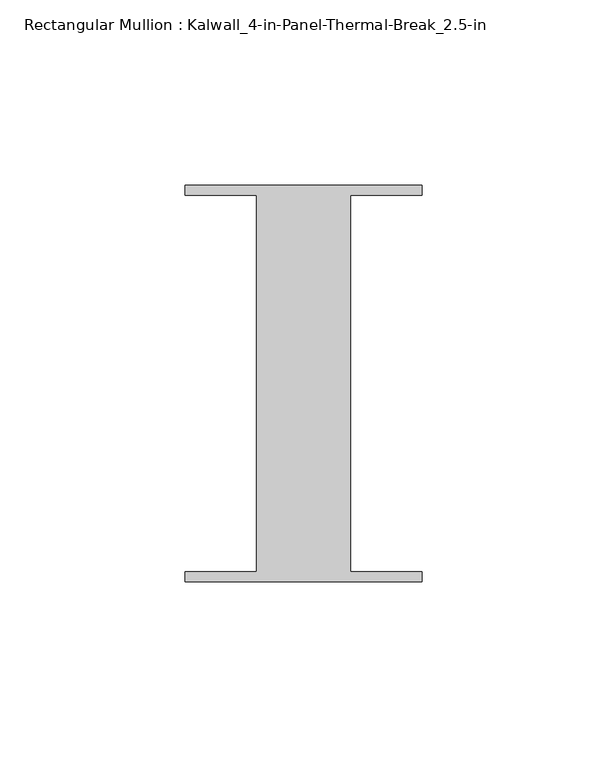
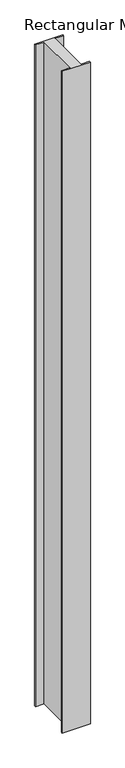
"""IFC4 building model written with IfcOpenShell, lengths in millimetres: member geometry, Rectangular Mullion : Kalwall_4-in-Panel-Thermal-Break_2.5-in."""

from ifc_helpers import new_model, si_unit, frame, origin, place, context, project, spatial, polyline, outline, extrude, source, transform, mapped, element, save


def rectangular_mullion_kalwall_4_in_panel_thermal_break_2_5_in_91f58d9c(model_context):
    return source(origin(), model_context, "Body", "SweptSolid", [
        extrude(outline(polyline([(-32.0, 53.594), (32.0, 53.594), (32.0, 50.8), (12.7, 50.8), (12.7, -50.8), (32.0, -50.8), (32.0, -53.594), (-32.0, -53.594), (-32.0, -50.8), (-12.7, -50.8), (-12.7, 50.8), (-32.0, 50.8), (-32.0, 53.594)])), frame((0.0, 0.0, -1581.4), z_axis=(0.0, 0.0, 1.0), x_axis=(1.0, 0.0, 0.0)), (0.0, 0.0, 1.0), 1581.4),
    ])


if __name__ == "__main__":
    model = new_model("IFC4")
    model_context = context("Model", 3, world=origin())
    ifc_project = project(units=[si_unit("LENGTHUNIT", "METRE", prefix="MILLI")], contexts=[model_context])
    site = spatial("IfcSite", under=ifc_project)
    building = spatial("IfcBuilding", under=site)
    placement = place(None, origin())
    rectangular_mullion_kalwall_4_in_panel_thermal_break_2_5_in_shape = rectangular_mullion_kalwall_4_in_panel_thermal_break_2_5_in_91f58d9c(model_context)
    element("IfcMember", 1, ObjectType="Rectangular Mullion : Kalwall_4-in-Panel-Thermal-Break_2.5-in", at=placement, inside=building, context=model_context, shape_type="MappedRepresentation", body=[
        mapped(rectangular_mullion_kalwall_4_in_panel_thermal_break_2_5_in_shape, transform((0.0, 0.0, 0.0), x_axis=(1.0, 0.0, 0.0), y_axis=(0.0, 1.0, 0.0), z_axis=(0.0, 0.0, 1.0))),
    ])
    save(model, "model.ifc")
